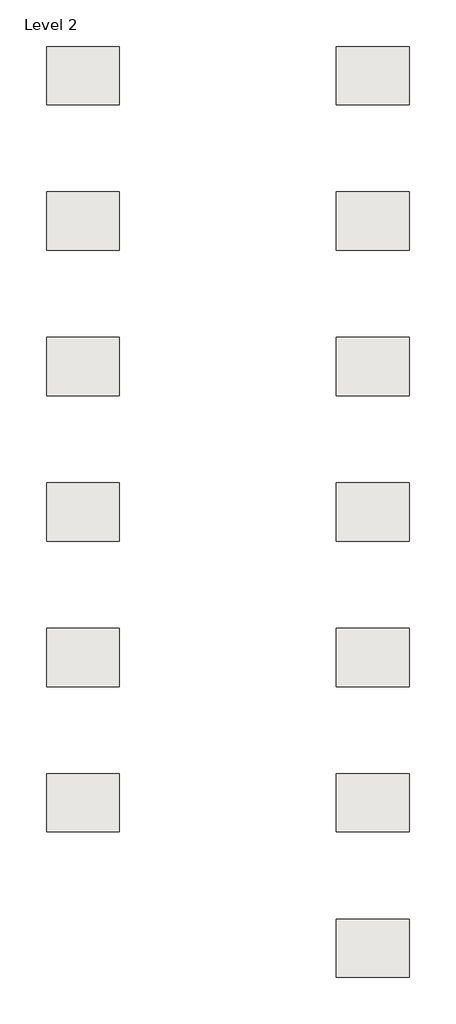
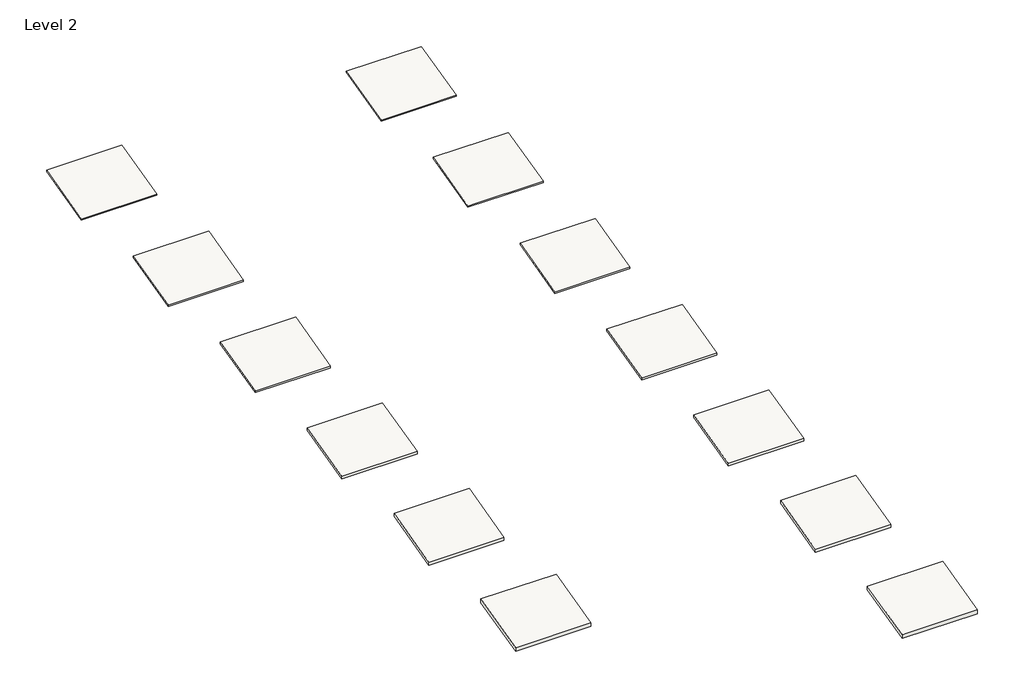
# One storey: 13 roofs.
"""IFC4 building model written with IfcOpenShell, lengths in millimetres."""

from ifc_helpers import new_model, si_unit, frame, origin, place, context, project, spatial, polyline, outline, extrude, element, save

model = new_model("IFC4")

# Units and contexts
model_context = context("Model", 3, world=origin())
ifc_project = project(units=[si_unit("LENGTHUNIT", "METRE", prefix="MILLI")], contexts=[model_context])

# Site, building, storey
site = spatial("IfcSite", under=ifc_project)
building = spatial("IfcBuilding", under=site)
storey = spatial("IfcBuildingStorey", under=building, Name="Level 2", Elevation=3048.0)

# Roofs
placement = place(None, origin())
element("IfcRoof", 1, at=placement, inside=storey, context=model_context, shape_type="SweptSolid", body=[
    extrude(outline(polyline([(2024.9648595, 3100.3634414), (4463.3648595, 3709.9634414), (4463.3648595, 3657.6), (2024.9648595, 3048.0), (2024.9648595, 3100.3634414)])), frame((-9909.2804793, 0.0, 0.0), z_axis=(1.0, 0.0, 0.0), x_axis=(0.0, 1.0, 0.0)), (0.0, 0.0, 1.0), 3048.0),
])
element("IfcRoof", 2, at=placement, inside=storey, context=model_context, shape_type="SweptSolid", body=[
    extrude(outline(polyline([(-4071.0351405, 3113.4543018), (-1632.6351405, 3723.0543018), (-1632.6351405, 3657.6), (-4071.0351405, 3048.0), (-4071.0351405, 3113.4543018)])), frame((-9909.2804793, 0.0, 0.0), z_axis=(1.0, 0.0, 0.0), x_axis=(0.0, 1.0, 0.0)), (0.0, 0.0, 1.0), 3048.0),
])
element("IfcRoof", 3, at=placement, inside=storey, context=model_context, shape_type="SweptSolid", body=[
    extrude(outline(polyline([(-10167.0351405, 3126.5451622), (-7728.6351405, 3736.1451622), (-7728.6351405, 3657.6), (-10167.0351405, 3048.0), (-10167.0351405, 3126.5451622)])), frame((-9909.2804793, 0.0, 0.0), z_axis=(1.0, 0.0, 0.0), x_axis=(0.0, 1.0, 0.0)), (0.0, 0.0, 1.0), 3048.0),
])
element("IfcRoof", 4, at=placement, inside=storey, context=model_context, shape_type="SweptSolid", body=[
    extrude(outline(polyline([(-16263.0351405, 3152.7268829), (-13824.6351405, 3762.3268829), (-13824.6351405, 3657.6), (-16263.0351405, 3048.0), (-16263.0351405, 3152.7268829)])), frame((-9909.2804793, 0.0, 0.0), z_axis=(1.0, 0.0, 0.0), x_axis=(0.0, 1.0, 0.0)), (0.0, 0.0, 1.0), 3048.0),
])
element("IfcRoof", 5, at=placement, inside=storey, context=model_context, shape_type="SweptSolid", body=[
    extrude(outline(polyline([(-22359.0351405, 3178.9086036), (-19920.6351405, 3788.5086036), (-19920.6351405, 3657.6), (-22359.0351405, 3048.0), (-22359.0351405, 3178.9086036)])), frame((-9909.2804793, 0.0, 0.0), z_axis=(1.0, 0.0, 0.0), x_axis=(0.0, 1.0, 0.0)), (0.0, 0.0, 1.0), 3048.0),
])
element("IfcRoof", 6, at=placement, inside=storey, context=model_context, shape_type="SweptSolid", body=[
    extrude(outline(polyline([(-28455.0351405, 3205.0903243), (-26016.6351405, 3814.6903243), (-26016.6351405, 3657.6), (-28455.0351405, 3048.0), (-28455.0351405, 3205.0903243)])), frame((-9909.2804793, 0.0, 0.0), z_axis=(1.0, 0.0, 0.0), x_axis=(0.0, 1.0, 0.0)), (0.0, 0.0, 1.0), 3048.0),
])
element("IfcRoof", 7, at=placement, inside=storey, context=model_context, shape_type="SweptSolid", body=[
    extrude(outline(polyline([(2024.9648595, 3087.2725811), (4463.3648595, 3696.8725811), (4463.3648595, 3657.6), (2024.9648595, 3048.0), (2024.9648595, 3087.2725811)])), frame((2234.1810791, 0.0, 0.0), z_axis=(1.0, 0.0, 0.0), x_axis=(0.0, 1.0, 0.0)), (0.0, 0.0, 1.0), 3048.0),
])
element("IfcRoof", 8, at=placement, inside=storey, context=model_context, shape_type="SweptSolid", body=[
    extrude(outline(polyline([(-4071.0351405, 3100.3634414), (-1632.6351405, 3709.9634414), (-1632.6351405, 3657.6), (-4071.0351405, 3048.0), (-4071.0351405, 3100.3634414)])), frame((2234.1810791, 0.0, 0.0), z_axis=(1.0, 0.0, 0.0), x_axis=(0.0, 1.0, 0.0)), (0.0, 0.0, 1.0), 3048.0),
])
element("IfcRoof", 9, at=placement, inside=storey, context=model_context, shape_type="SweptSolid", body=[
    extrude(outline(polyline([(-10167.0351405, 3113.4543018), (-7728.6351405, 3723.0543018), (-7728.6351405, 3657.6), (-10167.0351405, 3048.0), (-10167.0351405, 3113.4543018)])), frame((2234.1810791, 0.0, 0.0), z_axis=(1.0, 0.0, 0.0), x_axis=(0.0, 1.0, 0.0)), (0.0, 0.0, 1.0), 3048.0),
])
element("IfcRoof", 10, at=placement, inside=storey, context=model_context, shape_type="SweptSolid", body=[
    extrude(outline(polyline([(-16263.0351405, 3126.5451622), (-13824.6351405, 3736.1451622), (-13824.6351405, 3657.6), (-16263.0351405, 3048.0), (-16263.0351405, 3126.5451622)])), frame((2234.1810791, 0.0, 0.0), z_axis=(1.0, 0.0, 0.0), x_axis=(0.0, 1.0, 0.0)), (0.0, 0.0, 1.0), 3048.0),
])
element("IfcRoof", 11, at=placement, inside=storey, context=model_context, shape_type="SweptSolid", body=[
    extrude(outline(polyline([(-22359.0351405, 3152.7268829), (-19920.6351405, 3762.3268829), (-19920.6351405, 3657.6), (-22359.0351405, 3048.0), (-22359.0351405, 3152.7268829)])), frame((2234.1810791, 0.0, 0.0), z_axis=(1.0, 0.0, 0.0), x_axis=(0.0, 1.0, 0.0)), (0.0, 0.0, 1.0), 3048.0),
])
element("IfcRoof", 12, at=placement, inside=storey, context=model_context, shape_type="SweptSolid", body=[
    extrude(outline(polyline([(-28455.0351405, 3178.9086036), (-26016.6351405, 3788.5086036), (-26016.6351405, 3657.6), (-28455.0351405, 3048.0), (-28455.0351405, 3178.9086036)])), frame((2234.1810791, 0.0, 0.0), z_axis=(1.0, 0.0, 0.0), x_axis=(0.0, 1.0, 0.0)), (0.0, 0.0, 1.0), 3048.0),
])
element("IfcRoof", 13, at=placement, inside=storey, context=model_context, shape_type="SweptSolid", body=[
    extrude(outline(polyline([(-34551.0351405, 3205.0903243), (-32112.6351405, 3814.6903243), (-32112.6351405, 3657.6), (-34551.0351405, 3048.0), (-34551.0351405, 3205.0903243)])), frame((2234.1810791, 0.0, 0.0), z_axis=(1.0, 0.0, 0.0), x_axis=(0.0, 1.0, 0.0)), (0.0, 0.0, 1.0), 3048.0),
])

save(model, "model.ifc")
